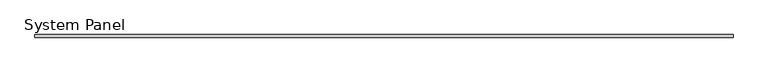
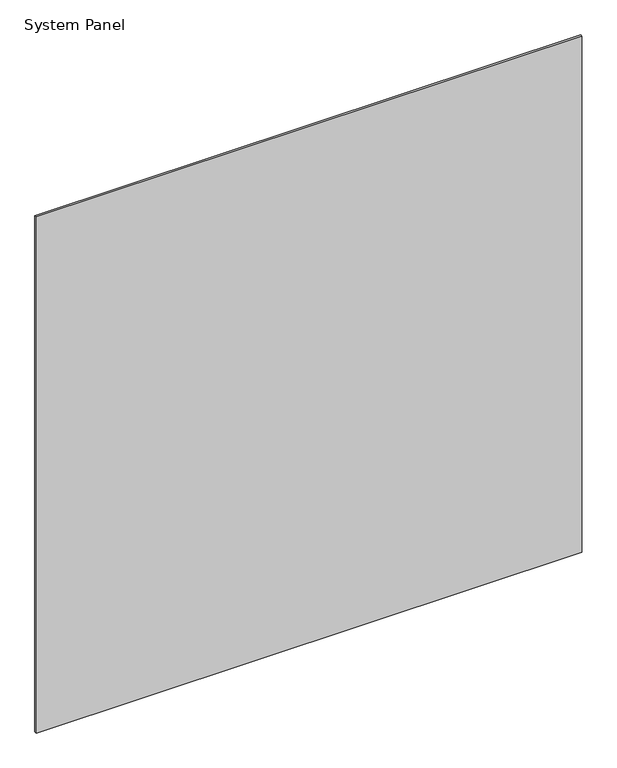
"""IFC4 building model written with IfcOpenShell, lengths in millimetres: plate geometry, System Panel."""

from ifc_helpers import new_model, si_unit, origin, origin_with_axes, place, context, project, spatial, polyline, outline, extrude, source, transform, mapped, element, save


def system_panel_717d9785(model_context):
    return source(origin(), model_context, "Body", "SweptSolid", [
        extrude(outline(polyline([(728.6738346, -12.8), (-728.6738346, -12.8), (-728.6738346, -6.4), (728.6738346, -6.4), (728.6738346, -12.8)])), origin_with_axes(), (0.0, 0.0, 1.0), 1457.3476692),
    ])


if __name__ == "__main__":
    model = new_model("IFC4")
    model_context = context("Model", 3, world=origin())
    ifc_project = project(units=[si_unit("LENGTHUNIT", "METRE", prefix="MILLI")], contexts=[model_context])
    site = spatial("IfcSite", under=ifc_project)
    building = spatial("IfcBuilding", under=site)
    placement = place(None, origin())
    system_panel_shape = system_panel_717d9785(model_context)
    element("IfcPlate", 1, ObjectType="System Panel", at=placement, inside=building, context=model_context, shape_type="MappedRepresentation", body=[
        mapped(system_panel_shape, transform((0.0, 0.0, 0.0), x_axis=(1.0, 0.0, 0.0), y_axis=(0.0, 1.0, 0.0), z_axis=(0.0, 0.0, 1.0))),
    ])
    save(model, "model.ifc")
